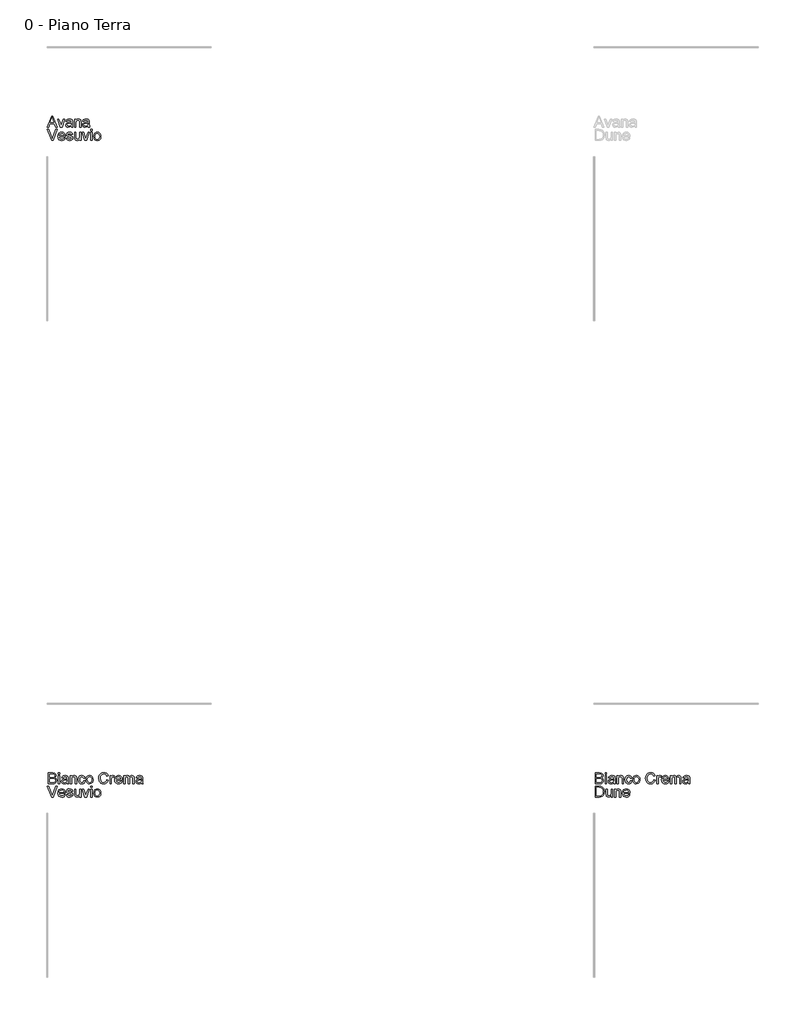
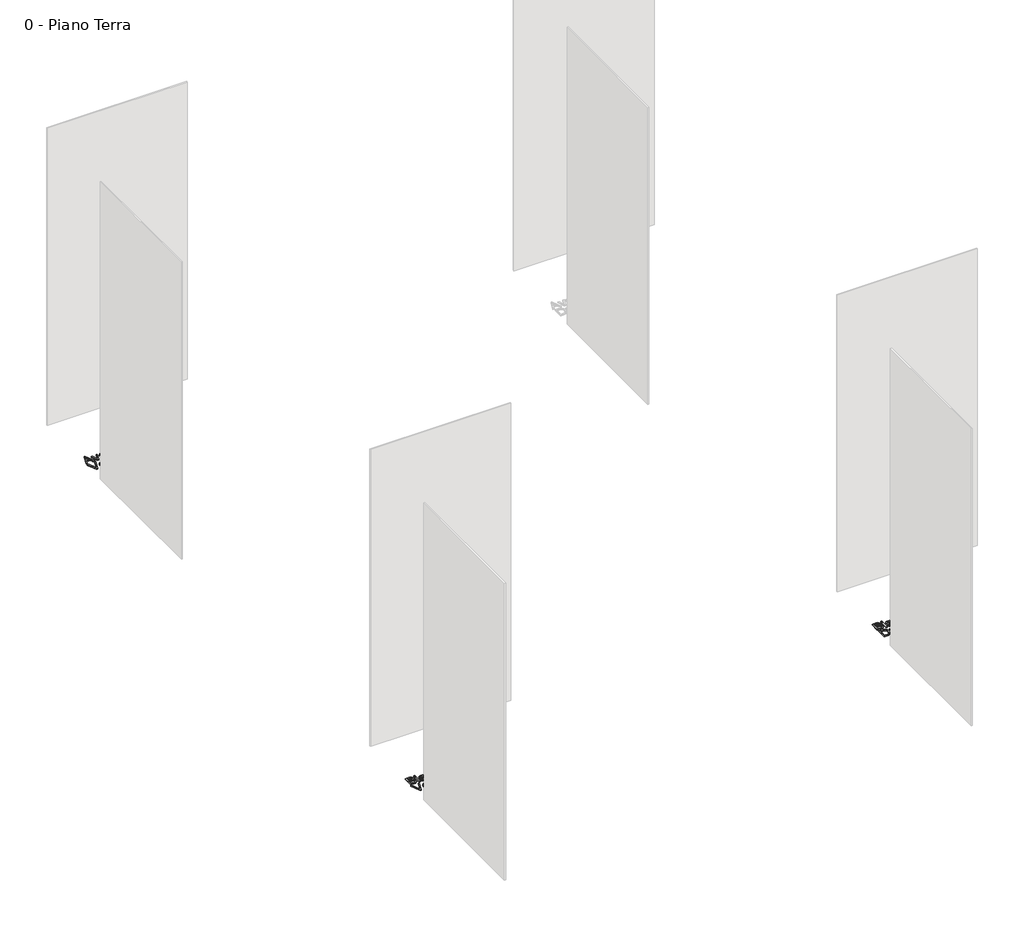
# One storey, part 6 of 35: 3 proxies.
"""IFC4 building model written with IfcOpenShell, lengths in millimetres."""

from ifc_helpers import new_model, si_unit, origin, origin_with_axes, place, context, project, spatial, polyline, outline, extrude, element, save

model = new_model("IFC4")

# Units and contexts
model_context = context("Model", 3, world=origin())
ifc_project = project(units=[si_unit("LENGTHUNIT", "METRE", prefix="MILLI")], contexts=[model_context])

# Site, building, storey
site = spatial("IfcSite", under=ifc_project)
building = spatial("IfcBuilding", under=site)
storey = spatial("IfcBuildingStorey", under=building, Name="0 - Piano Terra", Elevation=0.0)

# Proxies
placement = place(None, origin())
element("IfcBuildingElementProxy", 1, Name="Testo modello 1", ObjectType="Testo modello 1", at=placement, inside=storey, context=model_context, shape_type="SweptSolid", body=[
    extrude(outline(polyline([(-7279.9693984, -48273.7592352), (-7239.8702609, -48173.302925), (-7229.1771576, -48173.302925), (-7189.0780201, -48273.7592352), (-7202.3462974, -48273.7592352), (-7213.8487411, -48242.3666382), (-7255.2232028, -48242.3666382), (-7266.7011211, -48273.7592352), (-7279.9693984, -48273.7592352)]), holes=[polyline([(-7250.6124152, -48229.8095995), (-7218.4350033, -48229.8095995), (-7227.4849004, -48205.1124549), (-7234.5237092, -48185.8599638), (-7240.7777032, -48202.9542138), (-7250.6124152, -48229.8095995)])]), origin_with_axes(), (0.0, 0.0, 1.0), 10.0),
    extrude(outline(polyline([(-7159.1324257, -48273.7592352), (-7185.0803691, -48199.9866324), (-7171.7875663, -48199.9866324), (-7156.0667424, -48244.1815227), (-7151.3333274, -48259.0439553), (-7146.6980143, -48245.0153886), (-7130.8790885, -48199.9866324), (-7117.5862857, -48199.9866324), (-7143.215398, -48273.7592352), (-7159.1324257, -48273.7592352)])), origin_with_axes(), (0.0, 0.0, 1.0), 10.0),
    extrude(outline(polyline([(-7059.5099814, -48264.3414561), (-7071.6868754, -48272.8517929), (-7085.1390937, -48275.328865), (-7095.6329276, -48273.8389429), (-7103.373778, -48269.3691767), (-7108.1470468, -48262.5817539), (-7109.7381365, -48254.1388621), (-7107.3346408, -48244.2060482), (-7101.0193332, -48236.9955611), (-7092.2269535, -48232.8752828), (-7081.3621719, -48230.9868218), (-7059.5835578, -48226.6703398), (-7059.5099814, -48223.8744366), (-7062.9680721, -48214.6038103), (-7076.8494861, -48210.9740413), (-7089.5536777, -48213.3897997), (-7095.6114679, -48221.9614502), (-7108.1685066, -48220.3918204), (-7102.7361158, -48208.1290872), (-7091.7977578, -48200.9431256), (-7075.2308053, -48198.4170025), (-7060.0127535, -48200.64882), (-7051.4165775, -48206.252889), (-7047.5660793, -48214.7754886), (-7046.9529426, -48225.7628975), (-7046.9529426, -48241.3856196), (-7046.3152805, -48263.2010219), (-7043.8136829, -48273.7592352), (-7056.3707217, -48273.7592352), (-7059.5099814, -48264.3414561)]), holes=[polyline([(-7059.5099814, -48239.2273785), (-7079.7680166, -48243.0778768), (-7090.5714845, -48245.1134905), (-7095.4643151, -48248.4244284), (-7097.1810977, -48253.2559453), (-7093.4409641, -48260.0494995), (-7082.4658179, -48262.7718262), (-7069.7616263, -48259.7674566), (-7061.5701206, -48252.4956558), (-7059.5835578, -48242.7835712), (-7059.5099814, -48239.2273785)])]), origin_with_axes(), (0.0, 0.0, 1.0), 10.0),
    extrude(outline(polyline([(-7029.6870143, -48273.7592352), (-7029.6870143, -48199.9866324), (-7017.1299756, -48199.9866324), (-7017.1299756, -48210.2873283), (-7007.5282555, -48201.384584), (-6994.4193937, -48198.4170025), (-6982.5613307, -48200.8082355), (-6974.4679268, -48207.0867549), (-6970.7032678, -48216.320593), (-6970.0410802, -48228.4606988), (-6970.0410802, -48273.7592352), (-6982.5981189, -48273.7592352), (-6982.5981189, -48230.152956), (-6984.0451215, -48219.0429197), (-6989.1586812, -48213.1690705), (-6997.7793826, -48210.9740413), (-7011.4032792, -48215.90366), (-7015.6983015, -48223.0467021), (-7017.1299756, -48234.6165909), (-7017.1299756, -48273.7592352), (-7029.6870143, -48273.7592352)])), origin_with_axes(), (0.0, 0.0, 1.0), 10.0),
    extrude(outline(polyline([(-6905.6862565, -48264.3414561), (-6917.8631505, -48272.8517929), (-6931.3153688, -48275.328865), (-6941.8092027, -48273.8389429), (-6949.550053, -48269.3691767), (-6954.3233219, -48262.5817539), (-6955.9144116, -48254.1388621), (-6953.5109159, -48244.2060482), (-6947.1956083, -48236.9955611), (-6938.4032286, -48232.8752828), (-6927.538447, -48230.9868218), (-6905.7598329, -48226.6703398), (-6905.6862565, -48223.8744366), (-6909.1443472, -48214.6038103), (-6923.0257612, -48210.9740413), (-6935.7299528, -48213.3897997), (-6941.7877429, -48221.9614502), (-6954.3447817, -48220.3918204), (-6948.9123909, -48208.1290872), (-6937.9740329, -48200.9431256), (-6921.4070804, -48198.4170025), (-6906.1890285, -48200.64882), (-6897.5928526, -48206.252889), (-6893.7423544, -48214.7754886), (-6893.1292177, -48225.7628975), (-6893.1292177, -48241.3856196), (-6892.4915556, -48263.2010219), (-6889.989958, -48273.7592352), (-6902.5469968, -48273.7592352), (-6905.6862565, -48264.3414561)]), holes=[polyline([(-6905.6862565, -48239.2273785), (-6925.9442917, -48243.0778768), (-6936.7477596, -48245.1134905), (-6941.6405901, -48248.4244284), (-6943.3573728, -48253.2559453), (-6939.6172392, -48260.0494995), (-6928.642093, -48262.7718262), (-6915.9379014, -48259.7674566), (-6907.7463957, -48252.4956558), (-6905.7598329, -48242.7835712), (-6905.6862565, -48239.2273785)])]), origin_with_axes(), (0.0, 0.0, 1.0), 10.0),
    extrude(outline(polyline([(-7238.5949366, -48395.734053), (-7278.5714468, -48295.2777428), (-7265.1314912, -48295.2777428), (-7238.3742074, -48367.652394), (-7232.9540794, -48383.9618292), (-7227.6075277, -48367.652394), (-7200.7766675, -48295.2777428), (-7187.336712, -48295.2777428), (-7225.620965, -48395.734053), (-7238.5949366, -48395.734053)])), origin_with_axes(), (0.0, 0.0, 1.0), 10.0),
    extrude(outline(polyline([(-7125.5815877, -48373.7592352), (-7113.2698036, -48375.328865), (-7117.7058473, -48384.6056226), (-7124.7845101, -48391.5401983), (-7134.3463763, -48395.8628117), (-7146.2320304, -48397.3036828), (-7160.9657043, -48394.8174137), (-7172.3026011, -48387.3586062), (-7179.5314823, -48375.4116384), (-7181.9411094, -48359.4608883), (-7179.5069569, -48342.9736435), (-7172.2044993, -48330.6434653), (-7161.0208866, -48322.9547316), (-7146.9432689, -48320.3918204), (-7133.3040439, -48322.9486003), (-7122.4055398, -48330.6189399), (-7115.2594321, -48342.9245926), (-7112.8773962, -48359.3873119), (-7112.9509726, -48362.7718262), (-7169.3840706, -48362.7718262), (-7167.2105012, -48372.1712112), (-7162.1613208, -48379.0812613), (-7154.8741916, -48383.3302984), (-7145.9867757, -48384.7466441), (-7133.6749916, -48382.1224192), (-7125.5815877, -48373.7592352)]), holes=[polyline([(-7169.3840706, -48350.2147875), (-7125.4344349, -48350.2147875), (-7130.4621555, -48338.8349711), (-7137.7830072, -48334.4203871), (-7146.9923198, -48332.9488592), (-7162.4556264, -48337.645486), (-7167.3208658, -48343.1361247), (-7169.3840706, -48350.2147875)])]), origin_with_axes(), (0.0, 0.0, 1.0), 10.0),
    extrude(outline(polyline([(-7105.0292469, -48373.7592352), (-7092.4722082, -48372.1896053), (-7086.6596726, -48381.5092825), (-7073.3423444, -48384.7466441), (-7060.540051, -48381.7790626), (-7056.3707217, -48374.8138302), (-7060.5645764, -48369.1729729), (-7073.4894972, -48365.5922549), (-7092.3986318, -48359.4486255), (-7100.6514512, -48352.2749266), (-7103.4596171, -48342.145909), (-7101.2032742, -48332.7894436), (-7095.0473821, -48325.6402702), (-7087.0643428, -48321.924662), (-7076.2608749, -48320.3918204), (-7060.9815094, -48322.8566298), (-7051.2694247, -48329.5275566), (-7046.9529426, -48340.7970084), (-7059.5099814, -48342.3666382), (-7064.2311337, -48335.438194), (-7075.2798563, -48332.9488592), (-7087.2973348, -48335.3278294), (-7090.9025783, -48340.8705848), (-7089.4065249, -48344.5248793), (-7084.7221608, -48347.296257), (-7073.9064301, -48349.9695328), (-7055.4755422, -48355.8801702), (-7046.9161544, -48362.5756225), (-7043.8136829, -48373.489455), (-7047.4557147, -48385.5069335), (-7057.964877, -48394.2257368), (-7073.5140227, -48397.3036828), (-7086.1752947, -48395.8198921), (-7095.4152641, -48391.36852), (-7101.5834189, -48383.9986174), (-7105.0292469, -48373.7592352)])), origin_with_axes(), (0.0, 0.0, 1.0), 10.0),
    extrude(outline(polyline([(-6982.5981189, -48395.734053), (-6982.5981189, -48383.0543869), (-6992.4328309, -48393.7413589), (-7005.2596498, -48397.3036828), (-7017.0686619, -48394.8020853), (-7025.2111167, -48388.5235659), (-7028.9512503, -48379.2774651), (-7029.6870143, -48367.6033431), (-7029.6870143, -48321.9614502), (-7017.1299756, -48321.9614502), (-7017.1299756, -48361.6927057), (-7016.3696861, -48374.4949991), (-7011.4032792, -48382.0120546), (-7002.0468137, -48384.7466441), (-6991.5621769, -48381.9507409), (-6984.6337326, -48374.3355836), (-6982.5981189, -48360.3438051), (-6982.5981189, -48321.9614502), (-6970.0410802, -48321.9614502), (-6970.0410802, -48395.734053), (-6982.5981189, -48395.734053)])), origin_with_axes(), (0.0, 0.0, 1.0), 10.0),
    extrude(outline(polyline([(-6934.6753577, -48395.734053), (-6960.6233011, -48321.9614502), (-6947.3304983, -48321.9614502), (-6931.6096744, -48366.1563406), (-6926.8762594, -48381.0187732), (-6922.2409463, -48366.9902064), (-6906.4220205, -48321.9614502), (-6893.1292177, -48321.9614502), (-6918.75833, -48395.734053), (-6934.6753577, -48395.734053)])), origin_with_axes(), (0.0, 0.0, 1.0), 10.0),
    extrude(outline(polyline([(-6882.1418088, -48307.8347816), (-6882.1418088, -48295.2777428), (-6869.58477, -48295.2777428), (-6869.58477, -48307.8347816), (-6882.1418088, -48307.8347816)])), origin_with_axes(), (0.0, 0.0, 1.0), 10.0),
    extrude(outline(polyline([(-6882.1418088, -48395.734053), (-6882.1418088, -48321.9614502), (-6869.58477, -48321.9614502), (-6869.58477, -48395.734053), (-6882.1418088, -48395.734053)])), origin_with_axes(), (0.0, 0.0, 1.0), 10.0),
    extrude(outline(polyline([(-6853.8884716, -48358.8477516), (-6851.1722762, -48341.0606571), (-6843.02369, -48328.5588007), (-6832.955986, -48322.4335655), (-6820.9017193, -48320.3918204), (-6807.7100841, -48322.8780895), (-6797.1733306, -48330.336897), (-6790.2663462, -48342.1796315), (-6787.964018, -48357.817682), (-6792.0352454, -48380.1603819), (-6803.8933084, -48392.8032598), (-6820.9017193, -48397.3036828), (-6834.2527701, -48394.8266107), (-6844.7772608, -48387.3953944), (-6851.6106689, -48375.3043395), (-6853.8884716, -48358.8477516)]), holes=[polyline([(-6841.3314328, -48358.8232261), (-6839.8782989, -48370.1877141), (-6835.5188973, -48378.2841837), (-6828.958335, -48383.131029), (-6820.9017193, -48384.7466441), (-6812.8818918, -48383.1218319), (-6806.3335923, -48378.2473955), (-6801.9741907, -48370.043627), (-6800.5210568, -48358.4308187), (-6801.9833877, -48347.3974245), (-6806.3703805, -48339.4113195), (-6812.9278771, -48334.5644742), (-6820.9017193, -48332.9488592), (-6828.958335, -48334.5583429), (-6835.5188973, -48339.3867941), (-6839.8782989, -48347.4648695), (-6841.3314328, -48358.8232261)])]), origin_with_axes(), (0.0, 0.0, 1.0), 10.0),
])
element("IfcBuildingElementProxy", 2, Name="Testo modello 1", ObjectType="Testo modello 1", at=placement, inside=storey, context=model_context, shape_type="SweptSolid", body=[
    extrude(outline(polyline([(-2268.2707509, -54273.7592352), (-2268.2707509, -54173.302925), (-2229.937447, -54173.302925), (-2211.1632025, -54176.2582437), (-2200.0776918, -54185.344929), (-2196.067778, -54198.1962733), (-2199.4400296, -54209.931709), (-2209.6303609, -54218.8221905), (-2197.2572631, -54228.1909187), (-2192.9285183, -54243.8136407), (-2195.883837, -54257.31491), (-2203.2046887, -54266.9288928), (-2214.130784, -54272.0301898), (-2230.2317526, -54273.7592352), (-2268.2707509, -54273.7592352)]), holes=[polyline([(-2255.7137122, -54214.113301), (-2232.7824011, -54214.113301), (-2219.3914965, -54213.0341805), (-2211.3348808, -54208.3866046), (-2208.6248168, -54200.2073616), (-2211.1509398, -54192.0158558), (-2218.3859524, -54187.1720762), (-2234.5237092, -54185.8599638), (-2255.7137122, -54185.8599638), (-2255.7137122, -54214.113301)]), polyline([(-2255.7137122, -54261.2021964), (-2229.9619725, -54261.2021964), (-2220.6422953, -54260.7116871), (-2212.7573579, -54257.9770976), (-2207.5334335, -54252.397554), (-2205.4855571, -54243.9362681), (-2207.8890528, -54234.1751325), (-2215.6758883, -54228.3503342), (-2231.1882458, -54226.6703398), (-2255.7137122, -54226.6703398), (-2255.7137122, -54261.2021964)])]), origin_with_axes(), (0.0, 0.0, 1.0), 10.0),
    extrude(outline(polyline([(-2177.2322199, -54185.8599638), (-2177.2322199, -54173.302925), (-2164.6751811, -54173.302925), (-2164.6751811, -54185.8599638), (-2177.2322199, -54185.8599638)])), origin_with_axes(), (0.0, 0.0, 1.0), 10.0),
    extrude(outline(polyline([(-2177.2322199, -54273.7592352), (-2177.2322199, -54199.9866324), (-2164.6751811, -54199.9866324), (-2164.6751811, -54273.7592352), (-2177.2322199, -54273.7592352)])), origin_with_axes(), (0.0, 0.0, 1.0), 10.0),
    extrude(outline(polyline([(-2098.7507275, -54264.3414561), (-2110.9276216, -54272.8517929), (-2124.3798399, -54275.328865), (-2134.8736738, -54273.8389429), (-2142.6145241, -54269.3691767), (-2147.387793, -54262.5817539), (-2148.9788826, -54254.1388621), (-2146.5753869, -54244.2060482), (-2140.2600793, -54236.9955611), (-2131.4676997, -54232.8752828), (-2120.6029181, -54230.9868218), (-2098.8243039, -54226.6703398), (-2098.7507275, -54223.8744366), (-2102.2088183, -54214.6038103), (-2116.0902323, -54210.9740413), (-2128.7944238, -54213.3897997), (-2134.852214, -54221.9614502), (-2147.4092528, -54220.3918204), (-2141.976862, -54208.1290872), (-2131.038504, -54200.9431256), (-2114.4715515, -54198.4170025), (-2099.2534996, -54200.64882), (-2090.6573237, -54206.252889), (-2086.8068254, -54214.7754886), (-2086.1936888, -54225.7628975), (-2086.1936888, -54241.3856196), (-2085.5560267, -54263.2010219), (-2083.0544291, -54273.7592352), (-2095.6114679, -54273.7592352), (-2098.7507275, -54264.3414561)]), holes=[polyline([(-2098.7507275, -54239.2273785), (-2119.0087627, -54243.0778768), (-2129.8122307, -54245.1134905), (-2134.7050612, -54248.4244284), (-2136.4218439, -54253.2559453), (-2132.6817102, -54260.0494995), (-2121.706564, -54262.7718262), (-2109.0023725, -54259.7674566), (-2100.8108667, -54252.4956558), (-2098.8243039, -54242.7835712), (-2098.7507275, -54239.2273785)])]), origin_with_axes(), (0.0, 0.0, 1.0), 10.0),
    extrude(outline(polyline([(-2068.9277605, -54273.7592352), (-2068.9277605, -54199.9866324), (-2056.3707217, -54199.9866324), (-2056.3707217, -54210.2873283), (-2046.7690016, -54201.384584), (-2033.6601399, -54198.4170025), (-2021.8020769, -54200.8082355), (-2013.708673, -54207.0867549), (-2009.9440139, -54216.320593), (-2009.2818263, -54228.4606988), (-2009.2818263, -54273.7592352), (-2021.8388651, -54273.7592352), (-2021.8388651, -54230.152956), (-2023.2858676, -54219.0429197), (-2028.3994273, -54213.1690705), (-2037.0201288, -54210.9740413), (-2050.6440253, -54215.90366), (-2054.9390476, -54223.0467021), (-2056.3707217, -54234.6165909), (-2056.3707217, -54273.7592352), (-2068.9277605, -54273.7592352)])), origin_with_axes(), (0.0, 0.0, 1.0), 10.0),
    extrude(outline(polyline([(-1944.9270026, -54247.0755278), (-1932.3699639, -54248.6451576), (-1935.8709742, -54259.8134419), (-1942.4499305, -54268.253268), (-1951.4875649, -54273.5599657), (-1962.3646092, -54275.328865), (-1975.7217913, -54272.8609899), (-1986.1665743, -54265.4573648), (-1992.9080119, -54253.442952), (-1995.1551577, -54237.1427139), (-1991.3169222, -54216.2838048), (-1979.6182748, -54202.8806374), (-1962.5362875, -54198.4170025), (-1951.9259576, -54199.9498442), (-1943.4432119, -54204.5483691), (-1937.3578306, -54211.9673227), (-1933.9395937, -54221.9614502), (-1946.4966325, -54223.5310801), (-1952.3214307, -54214.1255637), (-1962.4381856, -54210.9740413), (-1970.5530493, -54212.5252771), (-1976.9940499, -54217.1789843), (-1981.1971017, -54225.1865491), (-1982.5981189, -54236.7993574), (-1981.2277585, -54248.5685155), (-1977.1166772, -54256.6036714), (-1970.7921726, -54261.2297875), (-1962.7815421, -54262.7718262), (-1950.9480046, -54258.921328), (-1944.9270026, -54247.0755278)])), origin_with_axes(), (0.0, 0.0, 1.0), 10.0),
    extrude(outline(polyline([(-1924.5218146, -54236.8729338), (-1921.8056192, -54219.0858393), (-1913.657033, -54206.5839828), (-1903.5893291, -54200.4587476), (-1891.5350624, -54198.4170025), (-1878.3434272, -54200.9032717), (-1867.8066737, -54208.3620791), (-1860.8996892, -54220.2048137), (-1858.5973611, -54235.8428642), (-1862.6685885, -54258.185564), (-1874.5266515, -54270.8284419), (-1891.5350624, -54275.328865), (-1904.8861131, -54272.8517929), (-1915.4106039, -54265.4205766), (-1922.2440119, -54253.3295217), (-1924.5218146, -54236.8729338)]), holes=[polyline([(-1911.9647759, -54236.8484083), (-1910.511642, -54248.2128963), (-1906.1522403, -54256.3093658), (-1899.5916781, -54261.1562111), (-1891.5350624, -54262.7718262), (-1883.5152349, -54261.1470141), (-1876.9669354, -54256.2725776), (-1872.6075337, -54248.0688092), (-1871.1543999, -54236.4560008), (-1872.6167308, -54225.4226067), (-1877.0037236, -54217.4365017), (-1883.5612202, -54212.5896564), (-1891.5350624, -54210.9740413), (-1899.5916781, -54212.583525), (-1906.1522403, -54217.4119762), (-1910.511642, -54225.4900517), (-1911.9647759, -54236.8484083)])]), origin_with_axes(), (0.0, 0.0, 1.0), 10.0),
    extrude(outline(polyline([(-1733.0269734, -54238.0501562), (-1720.4699346, -54241.2875177), (-1726.2640761, -54255.9200241), (-1735.3568927, -54266.6100617), (-1747.3007948, -54273.1491642), (-1761.6481926, -54275.328865), (-1776.213254, -54273.6795274), (-1787.780077, -54268.7315146), (-1796.6460331, -54260.6565048), (-1803.1084935, -54249.6261763), (-1808.369206, -54222.7707906), (-1806.8823496, -54208.1229558), (-1802.4217804, -54195.4739466), (-1795.2204904, -54185.2253673), (-1785.5114714, -54177.7788226), (-1773.9967649, -54173.244677), (-1761.3784125, -54171.7332952), (-1747.6104288, -54173.6892011), (-1736.2275468, -54179.5569189), (-1727.5853856, -54188.974698), (-1722.0395645, -54201.5807877), (-1734.5966033, -54204.5728946), (-1744.8972991, -54189.1341135), (-1761.8689218, -54184.2903339), (-1781.5138204, -54189.6614111), (-1792.6115939, -54204.0823853), (-1795.8121673, -54222.7462652), (-1792.0229827, -54244.3777265), (-1780.2262334, -54258.1978268), (-1762.8989914, -54262.7718262), (-1752.4174202, -54261.2144591), (-1743.6832885, -54256.5423578), (-1737.0890038, -54248.8045731), (-1733.0269734, -54238.0501562)])), origin_with_axes(), (0.0, 0.0, 1.0), 10.0),
    extrude(outline(polyline([(-1704.7736362, -54273.7592352), (-1704.7736362, -54199.9866324), (-1693.7862273, -54199.9866324), (-1693.7862273, -54210.9004649), (-1685.987129, -54200.8450237), (-1678.1389797, -54198.4170025), (-1665.53289, -54202.2920262), (-1669.7267448, -54213.5492153), (-1678.5559127, -54210.9740413), (-1685.6560352, -54213.4511134), (-1690.1809837, -54220.318244), (-1692.2165974, -54234.9844729), (-1692.2165974, -54273.7592352), (-1704.7736362, -54273.7592352)])), origin_with_axes(), (0.0, 0.0, 1.0), 10.0),
    extrude(outline(polyline([(-1606.0341087, -54251.7844173), (-1593.7223246, -54253.3540472), (-1598.1583683, -54262.6308048), (-1605.237031, -54269.5653804), (-1614.7988972, -54273.8879938), (-1626.6845513, -54275.328865), (-1641.4182252, -54272.8425958), (-1652.7551221, -54265.3837884), (-1659.9840033, -54253.4368206), (-1662.3936303, -54237.4860704), (-1659.9594778, -54220.9988257), (-1652.6570202, -54208.6686475), (-1641.4734075, -54200.9799138), (-1627.3957899, -54198.4170025), (-1613.7565649, -54200.9737824), (-1602.8580608, -54208.644122), (-1595.711953, -54220.9497747), (-1593.3299171, -54237.412494), (-1593.4034935, -54240.7970084), (-1649.8365916, -54240.7970084), (-1647.6630221, -54250.1963934), (-1642.6138417, -54257.1064435), (-1635.3267125, -54261.3554805), (-1626.4392967, -54262.7718262), (-1614.1275126, -54260.1476013), (-1606.0341087, -54251.7844173)]), holes=[polyline([(-1649.8365916, -54228.2399696), (-1605.8869559, -54228.2399696), (-1610.9146765, -54216.8601532), (-1618.2355282, -54212.4455693), (-1627.4448408, -54210.9740413), (-1642.9081473, -54215.6706681), (-1647.7733867, -54221.1613069), (-1649.8365916, -54228.2399696)])]), origin_with_axes(), (0.0, 0.0, 1.0), 10.0),
    extrude(outline(polyline([(-1580.7728783, -54273.7592352), (-1580.7728783, -54199.9866324), (-1568.2158396, -54199.9866324), (-1568.2158396, -54212.1267382), (-1559.5828754, -54202.1816616), (-1547.2956168, -54198.4170025), (-1534.7140525, -54202.255238), (-1527.797871, -54213.009655), (-1517.9999472, -54202.0651657), (-1505.6268495, -54198.4170025), (-1496.1876106, -54199.9345158), (-1489.2070497, -54204.4870555), (-1484.8936333, -54212.1972489), (-1483.4558279, -54223.1877235), (-1483.4558279, -54273.7592352), (-1496.0128666, -54273.7592352), (-1496.0128666, -54228.5833261), (-1497.1778263, -54218.0986893), (-1501.3962065, -54212.9360786), (-1508.5699054, -54210.9740413), (-1520.9184777, -54216.0017619), (-1524.6064947, -54222.5439301), (-1525.8358337, -54232.1149933), (-1525.8358337, -54273.7592352), (-1538.3928725, -54273.7592352), (-1538.3928725, -54227.1853746), (-1541.2991403, -54215.0207433), (-1550.8272839, -54210.9740413), (-1560.1224357, -54213.6718426), (-1566.3028532, -54221.5690428), (-1568.2158396, -54236.5541027), (-1568.2158396, -54273.7592352), (-1580.7728783, -54273.7592352)])), origin_with_axes(), (0.0, 0.0, 1.0), 10.0),
    extrude(outline(polyline([(-1417.5313743, -54264.3414561), (-1429.7082684, -54272.8517929), (-1443.1604867, -54275.328865), (-1453.6543206, -54273.8389429), (-1461.3951709, -54269.3691767), (-1466.1684398, -54262.5817539), (-1467.7595294, -54254.1388621), (-1465.3560337, -54244.2060482), (-1459.0407261, -54236.9955611), (-1450.2483464, -54232.8752828), (-1439.3835649, -54230.9868218), (-1417.6049507, -54226.6703398), (-1417.5313743, -54223.8744366), (-1420.9894651, -54214.6038103), (-1434.8708791, -54210.9740413), (-1447.5750706, -54213.3897997), (-1453.6328608, -54221.9614502), (-1466.1898996, -54220.3918204), (-1460.7575088, -54208.1290872), (-1449.8191508, -54200.9431256), (-1433.2521983, -54198.4170025), (-1418.0341464, -54200.64882), (-1409.4379705, -54206.252889), (-1405.5874722, -54214.7754886), (-1404.9743356, -54225.7628975), (-1404.9743356, -54241.3856196), (-1404.3366735, -54263.2010219), (-1401.8350759, -54273.7592352), (-1414.3921147, -54273.7592352), (-1417.5313743, -54264.3414561)]), holes=[polyline([(-1417.5313743, -54239.2273785), (-1437.7894095, -54243.0778768), (-1448.5928775, -54245.1134905), (-1453.485708, -54248.4244284), (-1455.2024907, -54253.2559453), (-1451.462357, -54260.0494995), (-1440.4872108, -54262.7718262), (-1427.7830193, -54259.7674566), (-1419.5915135, -54252.4956558), (-1417.6049507, -54242.7835712), (-1417.5313743, -54239.2273785)])]), origin_with_axes(), (0.0, 0.0, 1.0), 10.0),
    extrude(outline(polyline([(-2268.2707509, -54395.734053), (-2268.2707509, -54295.2777428), (-2233.616267, -54295.2777428), (-2215.6881511, -54296.7247454), (-2200.9238203, -54303.910707), (-2189.0289692, -54321.0785334), (-2185.0803691, -54344.9663377), (-2187.7536449, -54365.2366356), (-2194.6207755, -54379.8660763), (-2203.7932999, -54388.977287), (-2215.7985157, -54394.0172704), (-2231.9485353, -54395.734053), (-2268.2707509, -54395.734053)]), holes=[polyline([(-2255.7137122, -54383.1770142), (-2233.4936396, -54383.1770142), (-2217.3313573, -54381.3621297), (-2208.0116801, -54376.2363073), (-2200.3719973, -54363.7651076), (-2197.6374079, -54344.7701339), (-2198.9771114, -54331.0849237), (-2202.9962222, -54320.9804316), (-2216.0315076, -54309.8458699), (-2233.8369962, -54307.8347816), (-2255.7137122, -54307.8347816), (-2255.7137122, -54383.1770142)])]), origin_with_axes(), (0.0, 0.0, 1.0), 10.0),
    extrude(outline(polyline([(-2122.2951752, -54395.734053), (-2122.2951752, -54383.0543869), (-2132.1298872, -54393.7413589), (-2144.9567061, -54397.3036828), (-2156.7657182, -54394.8020853), (-2164.908173, -54388.5235659), (-2168.6483066, -54379.2774651), (-2169.3840706, -54367.6033431), (-2169.3840706, -54321.9614502), (-2156.8270319, -54321.9614502), (-2156.8270319, -54361.6927057), (-2156.0667424, -54374.4949991), (-2151.1003355, -54382.0120546), (-2141.74387, -54384.7466441), (-2131.2592332, -54381.9507409), (-2124.3307889, -54374.3355836), (-2122.2951752, -54360.3438051), (-2122.2951752, -54321.9614502), (-2109.7381365, -54321.9614502), (-2109.7381365, -54395.734053), (-2122.2951752, -54395.734053)])), origin_with_axes(), (0.0, 0.0, 1.0), 10.0),
    extrude(outline(polyline([(-2092.4722082, -54395.734053), (-2092.4722082, -54321.9614502), (-2079.9151694, -54321.9614502), (-2079.9151694, -54332.2621461), (-2070.3134493, -54323.3594018), (-2057.2045876, -54320.3918204), (-2045.3465246, -54322.7830534), (-2037.2531207, -54329.0615727), (-2033.4884616, -54338.2954108), (-2032.826274, -54350.4355167), (-2032.826274, -54395.734053), (-2045.3833128, -54395.734053), (-2045.3833128, -54352.1277738), (-2046.8303153, -54341.0177376), (-2051.943875, -54335.1438884), (-2060.5645764, -54332.9488592), (-2074.188473, -54337.8784779), (-2078.4834953, -54345.02152), (-2079.9151694, -54356.5914087), (-2079.9151694, -54395.734053), (-2092.4722082, -54395.734053)])), origin_with_axes(), (0.0, 0.0, 1.0), 10.0),
    extrude(outline(polyline([(-1963.9097136, -54373.7592352), (-1951.5979295, -54375.328865), (-1956.0339732, -54384.6056226), (-1963.1126359, -54391.5401983), (-1972.6745021, -54395.8628117), (-1984.5601562, -54397.3036828), (-1999.2938302, -54394.8174137), (-2010.630727, -54387.3586062), (-2017.8596082, -54375.4116384), (-2020.2692352, -54359.4608883), (-2017.8350827, -54342.9736435), (-2010.5326251, -54330.6434653), (-1999.3490125, -54322.9547316), (-1985.2713948, -54320.3918204), (-1971.6321698, -54322.9486003), (-1960.7336657, -54330.6189399), (-1953.5875579, -54342.9245926), (-1951.205522, -54359.3873119), (-1951.2790984, -54362.7718262), (-2007.7121965, -54362.7718262), (-2005.538627, -54372.1712112), (-2000.4894466, -54379.0812613), (-1993.2023174, -54383.3302984), (-1984.3149016, -54384.7466441), (-1972.0031175, -54382.1224192), (-1963.9097136, -54373.7592352)]), holes=[polyline([(-2007.7121965, -54350.2147875), (-1963.7625608, -54350.2147875), (-1968.7902814, -54338.8349711), (-1976.1111331, -54334.4203871), (-1985.3204457, -54332.9488592), (-2000.7837522, -54337.645486), (-2005.6489916, -54343.1361247), (-2007.7121965, -54350.2147875)])]), origin_with_axes(), (0.0, 0.0, 1.0), 10.0),
])
element("IfcBuildingElementProxy", 3, Name="Testo modello 1", ObjectType="Testo modello 1", at=placement, inside=storey, context=model_context, shape_type="SweptSolid", body=[
    extrude(outline(polyline([(-7268.2707509, -54273.7592352), (-7268.2707509, -54173.302925), (-7229.937447, -54173.302925), (-7211.1632025, -54176.2582437), (-7200.0776918, -54185.344929), (-7196.067778, -54198.1962733), (-7199.4400296, -54209.931709), (-7209.6303609, -54218.8221905), (-7197.2572631, -54228.1909187), (-7192.9285183, -54243.8136407), (-7195.883837, -54257.31491), (-7203.2046887, -54266.9288928), (-7214.130784, -54272.0301898), (-7230.2317526, -54273.7592352), (-7268.2707509, -54273.7592352)]), holes=[polyline([(-7255.7137122, -54214.113301), (-7232.7824011, -54214.113301), (-7219.3914965, -54213.0341805), (-7211.3348808, -54208.3866046), (-7208.6248168, -54200.2073616), (-7211.1509398, -54192.0158558), (-7218.3859524, -54187.1720762), (-7234.5237092, -54185.8599638), (-7255.7137122, -54185.8599638), (-7255.7137122, -54214.113301)]), polyline([(-7255.7137122, -54261.2021964), (-7229.9619725, -54261.2021964), (-7220.6422953, -54260.7116871), (-7212.7573579, -54257.9770976), (-7207.5334335, -54252.397554), (-7205.4855571, -54243.9362681), (-7207.8890528, -54234.1751325), (-7215.6758883, -54228.3503342), (-7231.1882458, -54226.6703398), (-7255.7137122, -54226.6703398), (-7255.7137122, -54261.2021964)])]), origin_with_axes(), (0.0, 0.0, 1.0), 10.0),
    extrude(outline(polyline([(-7177.2322199, -54185.8599638), (-7177.2322199, -54173.302925), (-7164.6751811, -54173.302925), (-7164.6751811, -54185.8599638), (-7177.2322199, -54185.8599638)])), origin_with_axes(), (0.0, 0.0, 1.0), 10.0),
    extrude(outline(polyline([(-7177.2322199, -54273.7592352), (-7177.2322199, -54199.9866324), (-7164.6751811, -54199.9866324), (-7164.6751811, -54273.7592352), (-7177.2322199, -54273.7592352)])), origin_with_axes(), (0.0, 0.0, 1.0), 10.0),
    extrude(outline(polyline([(-7098.7507275, -54264.3414561), (-7110.9276216, -54272.8517929), (-7124.3798399, -54275.328865), (-7134.8736738, -54273.8389429), (-7142.6145241, -54269.3691767), (-7147.387793, -54262.5817539), (-7148.9788826, -54254.1388621), (-7146.5753869, -54244.2060482), (-7140.2600793, -54236.9955611), (-7131.4676997, -54232.8752828), (-7120.6029181, -54230.9868218), (-7098.8243039, -54226.6703398), (-7098.7507275, -54223.8744366), (-7102.2088183, -54214.6038103), (-7116.0902323, -54210.9740413), (-7128.7944238, -54213.3897997), (-7134.852214, -54221.9614502), (-7147.4092528, -54220.3918204), (-7141.976862, -54208.1290872), (-7131.038504, -54200.9431256), (-7114.4715515, -54198.4170025), (-7099.2534996, -54200.64882), (-7090.6573237, -54206.252889), (-7086.8068254, -54214.7754886), (-7086.1936888, -54225.7628975), (-7086.1936888, -54241.3856196), (-7085.5560267, -54263.2010219), (-7083.0544291, -54273.7592352), (-7095.6114679, -54273.7592352), (-7098.7507275, -54264.3414561)]), holes=[polyline([(-7098.7507275, -54239.2273785), (-7119.0087627, -54243.0778768), (-7129.8122307, -54245.1134905), (-7134.7050612, -54248.4244284), (-7136.4218439, -54253.2559453), (-7132.6817102, -54260.0494995), (-7121.706564, -54262.7718262), (-7109.0023725, -54259.7674566), (-7100.8108667, -54252.4956558), (-7098.8243039, -54242.7835712), (-7098.7507275, -54239.2273785)])]), origin_with_axes(), (0.0, 0.0, 1.0), 10.0),
    extrude(outline(polyline([(-7068.9277605, -54273.7592352), (-7068.9277605, -54199.9866324), (-7056.3707217, -54199.9866324), (-7056.3707217, -54210.2873283), (-7046.7690016, -54201.384584), (-7033.6601399, -54198.4170025), (-7021.8020769, -54200.8082355), (-7013.708673, -54207.0867549), (-7009.9440139, -54216.320593), (-7009.2818263, -54228.4606988), (-7009.2818263, -54273.7592352), (-7021.8388651, -54273.7592352), (-7021.8388651, -54230.152956), (-7023.2858676, -54219.0429197), (-7028.3994273, -54213.1690705), (-7037.0201288, -54210.9740413), (-7050.6440253, -54215.90366), (-7054.9390476, -54223.0467021), (-7056.3707217, -54234.6165909), (-7056.3707217, -54273.7592352), (-7068.9277605, -54273.7592352)])), origin_with_axes(), (0.0, 0.0, 1.0), 10.0),
    extrude(outline(polyline([(-6944.9270026, -54247.0755278), (-6932.3699639, -54248.6451576), (-6935.8709742, -54259.8134419), (-6942.4499305, -54268.253268), (-6951.4875649, -54273.5599657), (-6962.3646092, -54275.328865), (-6975.7217913, -54272.8609899), (-6986.1665743, -54265.4573648), (-6992.9080119, -54253.442952), (-6995.1551577, -54237.1427139), (-6991.3169222, -54216.2838048), (-6979.6182748, -54202.8806374), (-6962.5362875, -54198.4170025), (-6951.9259576, -54199.9498442), (-6943.4432119, -54204.5483691), (-6937.3578306, -54211.9673227), (-6933.9395937, -54221.9614502), (-6946.4966325, -54223.5310801), (-6952.3214307, -54214.1255637), (-6962.4381856, -54210.9740413), (-6970.5530493, -54212.5252771), (-6976.9940499, -54217.1789843), (-6981.1971017, -54225.1865491), (-6982.5981189, -54236.7993574), (-6981.2277585, -54248.5685155), (-6977.1166772, -54256.6036714), (-6970.7921726, -54261.2297875), (-6962.7815421, -54262.7718262), (-6950.9480046, -54258.921328), (-6944.9270026, -54247.0755278)])), origin_with_axes(), (0.0, 0.0, 1.0), 10.0),
    extrude(outline(polyline([(-6924.5218146, -54236.8729338), (-6921.8056192, -54219.0858393), (-6913.657033, -54206.5839828), (-6903.5893291, -54200.4587476), (-6891.5350624, -54198.4170025), (-6878.3434272, -54200.9032717), (-6867.8066737, -54208.3620791), (-6860.8996892, -54220.2048137), (-6858.5973611, -54235.8428642), (-6862.6685885, -54258.185564), (-6874.5266515, -54270.8284419), (-6891.5350624, -54275.328865), (-6904.8861131, -54272.8517929), (-6915.4106039, -54265.4205766), (-6922.2440119, -54253.3295217), (-6924.5218146, -54236.8729338)]), holes=[polyline([(-6911.9647759, -54236.8484083), (-6910.511642, -54248.2128963), (-6906.1522403, -54256.3093658), (-6899.5916781, -54261.1562111), (-6891.5350624, -54262.7718262), (-6883.5152349, -54261.1470141), (-6876.9669354, -54256.2725776), (-6872.6075337, -54248.0688092), (-6871.1543999, -54236.4560008), (-6872.6167308, -54225.4226067), (-6877.0037236, -54217.4365017), (-6883.5612202, -54212.5896564), (-6891.5350624, -54210.9740413), (-6899.5916781, -54212.583525), (-6906.1522403, -54217.4119762), (-6910.511642, -54225.4900517), (-6911.9647759, -54236.8484083)])]), origin_with_axes(), (0.0, 0.0, 1.0), 10.0),
    extrude(outline(polyline([(-6733.0269734, -54238.0501562), (-6720.4699346, -54241.2875177), (-6726.2640761, -54255.9200241), (-6735.3568927, -54266.6100617), (-6747.3007948, -54273.1491642), (-6761.6481926, -54275.328865), (-6776.213254, -54273.6795274), (-6787.780077, -54268.7315146), (-6796.6460331, -54260.6565048), (-6803.1084935, -54249.6261763), (-6808.369206, -54222.7707906), (-6806.8823496, -54208.1229558), (-6802.4217804, -54195.4739466), (-6795.2204904, -54185.2253673), (-6785.5114714, -54177.7788226), (-6773.9967649, -54173.244677), (-6761.3784125, -54171.7332952), (-6747.6104288, -54173.6892011), (-6736.2275468, -54179.5569189), (-6727.5853856, -54188.974698), (-6722.0395645, -54201.5807877), (-6734.5966033, -54204.5728946), (-6744.8972991, -54189.1341135), (-6761.8689218, -54184.2903339), (-6781.5138204, -54189.6614111), (-6792.6115939, -54204.0823853), (-6795.8121673, -54222.7462652), (-6792.0229827, -54244.3777265), (-6780.2262334, -54258.1978268), (-6762.8989914, -54262.7718262), (-6752.4174202, -54261.2144591), (-6743.6832885, -54256.5423578), (-6737.0890038, -54248.8045731), (-6733.0269734, -54238.0501562)])), origin_with_axes(), (0.0, 0.0, 1.0), 10.0),
    extrude(outline(polyline([(-6704.7736362, -54273.7592352), (-6704.7736362, -54199.9866324), (-6693.7862273, -54199.9866324), (-6693.7862273, -54210.9004649), (-6685.987129, -54200.8450237), (-6678.1389797, -54198.4170025), (-6665.53289, -54202.2920262), (-6669.7267448, -54213.5492153), (-6678.5559127, -54210.9740413), (-6685.6560352, -54213.4511134), (-6690.1809837, -54220.318244), (-6692.2165974, -54234.9844729), (-6692.2165974, -54273.7592352), (-6704.7736362, -54273.7592352)])), origin_with_axes(), (0.0, 0.0, 1.0), 10.0),
    extrude(outline(polyline([(-6606.0341087, -54251.7844173), (-6593.7223246, -54253.3540472), (-6598.1583683, -54262.6308048), (-6605.237031, -54269.5653804), (-6614.7988972, -54273.8879938), (-6626.6845513, -54275.328865), (-6641.4182252, -54272.8425958), (-6652.7551221, -54265.3837884), (-6659.9840033, -54253.4368206), (-6662.3936303, -54237.4860704), (-6659.9594778, -54220.9988257), (-6652.6570202, -54208.6686475), (-6641.4734075, -54200.9799138), (-6627.3957899, -54198.4170025), (-6613.7565649, -54200.9737824), (-6602.8580608, -54208.644122), (-6595.711953, -54220.9497747), (-6593.3299171, -54237.412494), (-6593.4034935, -54240.7970084), (-6649.8365916, -54240.7970084), (-6647.6630221, -54250.1963934), (-6642.6138417, -54257.1064435), (-6635.3267125, -54261.3554805), (-6626.4392967, -54262.7718262), (-6614.1275126, -54260.1476013), (-6606.0341087, -54251.7844173)]), holes=[polyline([(-6649.8365916, -54228.2399696), (-6605.8869559, -54228.2399696), (-6610.9146765, -54216.8601532), (-6618.2355282, -54212.4455693), (-6627.4448408, -54210.9740413), (-6642.9081473, -54215.6706681), (-6647.7733867, -54221.1613069), (-6649.8365916, -54228.2399696)])]), origin_with_axes(), (0.0, 0.0, 1.0), 10.0),
    extrude(outline(polyline([(-6580.7728783, -54273.7592352), (-6580.7728783, -54199.9866324), (-6568.2158396, -54199.9866324), (-6568.2158396, -54212.1267382), (-6559.5828754, -54202.1816616), (-6547.2956168, -54198.4170025), (-6534.7140525, -54202.255238), (-6527.797871, -54213.009655), (-6517.9999472, -54202.0651657), (-6505.6268495, -54198.4170025), (-6496.1876106, -54199.9345158), (-6489.2070497, -54204.4870555), (-6484.8936333, -54212.1972489), (-6483.4558279, -54223.1877235), (-6483.4558279, -54273.7592352), (-6496.0128666, -54273.7592352), (-6496.0128666, -54228.5833261), (-6497.1778263, -54218.0986893), (-6501.3962065, -54212.9360786), (-6508.5699054, -54210.9740413), (-6520.9184777, -54216.0017619), (-6524.6064947, -54222.5439301), (-6525.8358337, -54232.1149933), (-6525.8358337, -54273.7592352), (-6538.3928725, -54273.7592352), (-6538.3928725, -54227.1853746), (-6541.2991403, -54215.0207433), (-6550.8272839, -54210.9740413), (-6560.1224357, -54213.6718426), (-6566.3028532, -54221.5690428), (-6568.2158396, -54236.5541027), (-6568.2158396, -54273.7592352), (-6580.7728783, -54273.7592352)])), origin_with_axes(), (0.0, 0.0, 1.0), 10.0),
    extrude(outline(polyline([(-6417.5313743, -54264.3414561), (-6429.7082684, -54272.8517929), (-6443.1604867, -54275.328865), (-6453.6543206, -54273.8389429), (-6461.3951709, -54269.3691767), (-6466.1684398, -54262.5817539), (-6467.7595294, -54254.1388621), (-6465.3560337, -54244.2060482), (-6459.0407261, -54236.9955611), (-6450.2483464, -54232.8752828), (-6439.3835649, -54230.9868218), (-6417.6049507, -54226.6703398), (-6417.5313743, -54223.8744366), (-6420.9894651, -54214.6038103), (-6434.8708791, -54210.9740413), (-6447.5750706, -54213.3897997), (-6453.6328608, -54221.9614502), (-6466.1898996, -54220.3918204), (-6460.7575088, -54208.1290872), (-6449.8191508, -54200.9431256), (-6433.2521983, -54198.4170025), (-6418.0341464, -54200.64882), (-6409.4379705, -54206.252889), (-6405.5874722, -54214.7754886), (-6404.9743356, -54225.7628975), (-6404.9743356, -54241.3856196), (-6404.3366735, -54263.2010219), (-6401.8350759, -54273.7592352), (-6414.3921147, -54273.7592352), (-6417.5313743, -54264.3414561)]), holes=[polyline([(-6417.5313743, -54239.2273785), (-6437.7894095, -54243.0778768), (-6448.5928775, -54245.1134905), (-6453.485708, -54248.4244284), (-6455.2024907, -54253.2559453), (-6451.462357, -54260.0494995), (-6440.4872108, -54262.7718262), (-6427.7830193, -54259.7674566), (-6419.5915135, -54252.4956558), (-6417.6049507, -54242.7835712), (-6417.5313743, -54239.2273785)])]), origin_with_axes(), (0.0, 0.0, 1.0), 10.0),
    extrude(outline(polyline([(-7238.5949366, -54395.734053), (-7278.5714468, -54295.2777428), (-7265.1314912, -54295.2777428), (-7238.3742074, -54367.652394), (-7232.9540794, -54383.9618292), (-7227.6075277, -54367.652394), (-7200.7766675, -54295.2777428), (-7187.336712, -54295.2777428), (-7225.620965, -54395.734053), (-7238.5949366, -54395.734053)])), origin_with_axes(), (0.0, 0.0, 1.0), 10.0),
    extrude(outline(polyline([(-7125.5815877, -54373.7592352), (-7113.2698036, -54375.328865), (-7117.7058473, -54384.6056226), (-7124.7845101, -54391.5401983), (-7134.3463763, -54395.8628117), (-7146.2320304, -54397.3036828), (-7160.9657043, -54394.8174137), (-7172.3026011, -54387.3586062), (-7179.5314823, -54375.4116384), (-7181.9411094, -54359.4608883), (-7179.5069569, -54342.9736435), (-7172.2044993, -54330.6434653), (-7161.0208866, -54322.9547316), (-7146.9432689, -54320.3918204), (-7133.3040439, -54322.9486003), (-7122.4055398, -54330.6189399), (-7115.2594321, -54342.9245926), (-7112.8773962, -54359.3873119), (-7112.9509726, -54362.7718262), (-7169.3840706, -54362.7718262), (-7167.2105012, -54372.1712112), (-7162.1613208, -54379.0812613), (-7154.8741916, -54383.3302984), (-7145.9867757, -54384.7466441), (-7133.6749916, -54382.1224192), (-7125.5815877, -54373.7592352)]), holes=[polyline([(-7169.3840706, -54350.2147875), (-7125.4344349, -54350.2147875), (-7130.4621555, -54338.8349711), (-7137.7830072, -54334.4203871), (-7146.9923198, -54332.9488592), (-7162.4556264, -54337.645486), (-7167.3208658, -54343.1361247), (-7169.3840706, -54350.2147875)])]), origin_with_axes(), (0.0, 0.0, 1.0), 10.0),
    extrude(outline(polyline([(-7105.0292469, -54373.7592352), (-7092.4722082, -54372.1896053), (-7086.6596726, -54381.5092825), (-7073.3423444, -54384.7466441), (-7060.540051, -54381.7790626), (-7056.3707217, -54374.8138302), (-7060.5645764, -54369.1729729), (-7073.4894972, -54365.5922549), (-7092.3986318, -54359.4486255), (-7100.6514512, -54352.2749266), (-7103.4596171, -54342.145909), (-7101.2032742, -54332.7894436), (-7095.0473821, -54325.6402702), (-7087.0643428, -54321.924662), (-7076.2608749, -54320.3918204), (-7060.9815094, -54322.8566298), (-7051.2694247, -54329.5275566), (-7046.9529426, -54340.7970084), (-7059.5099814, -54342.3666382), (-7064.2311337, -54335.438194), (-7075.2798563, -54332.9488592), (-7087.2973348, -54335.3278294), (-7090.9025783, -54340.8705848), (-7089.4065249, -54344.5248793), (-7084.7221608, -54347.296257), (-7073.9064301, -54349.9695328), (-7055.4755422, -54355.8801702), (-7046.9161544, -54362.5756225), (-7043.8136829, -54373.489455), (-7047.4557147, -54385.5069335), (-7057.964877, -54394.2257368), (-7073.5140227, -54397.3036828), (-7086.1752947, -54395.8198921), (-7095.4152641, -54391.36852), (-7101.5834189, -54383.9986174), (-7105.0292469, -54373.7592352)])), origin_with_axes(), (0.0, 0.0, 1.0), 10.0),
    extrude(outline(polyline([(-6982.5981189, -54395.734053), (-6982.5981189, -54383.0543869), (-6992.4328309, -54393.7413589), (-7005.2596498, -54397.3036828), (-7017.0686619, -54394.8020853), (-7025.2111167, -54388.5235659), (-7028.9512503, -54379.2774651), (-7029.6870143, -54367.6033431), (-7029.6870143, -54321.9614502), (-7017.1299756, -54321.9614502), (-7017.1299756, -54361.6927057), (-7016.3696861, -54374.4949991), (-7011.4032792, -54382.0120546), (-7002.0468137, -54384.7466441), (-6991.5621769, -54381.9507409), (-6984.6337326, -54374.3355836), (-6982.5981189, -54360.3438051), (-6982.5981189, -54321.9614502), (-6970.0410802, -54321.9614502), (-6970.0410802, -54395.734053), (-6982.5981189, -54395.734053)])), origin_with_axes(), (0.0, 0.0, 1.0), 10.0),
    extrude(outline(polyline([(-6934.6753577, -54395.734053), (-6960.6233011, -54321.9614502), (-6947.3304983, -54321.9614502), (-6931.6096744, -54366.1563406), (-6926.8762594, -54381.0187732), (-6922.2409463, -54366.9902064), (-6906.4220205, -54321.9614502), (-6893.1292177, -54321.9614502), (-6918.75833, -54395.734053), (-6934.6753577, -54395.734053)])), origin_with_axes(), (0.0, 0.0, 1.0), 10.0),
    extrude(outline(polyline([(-6882.1418088, -54307.8347816), (-6882.1418088, -54295.2777428), (-6869.58477, -54295.2777428), (-6869.58477, -54307.8347816), (-6882.1418088, -54307.8347816)])), origin_with_axes(), (0.0, 0.0, 1.0), 10.0),
    extrude(outline(polyline([(-6882.1418088, -54395.734053), (-6882.1418088, -54321.9614502), (-6869.58477, -54321.9614502), (-6869.58477, -54395.734053), (-6882.1418088, -54395.734053)])), origin_with_axes(), (0.0, 0.0, 1.0), 10.0),
    extrude(outline(polyline([(-6853.8884716, -54358.8477516), (-6851.1722762, -54341.0606571), (-6843.02369, -54328.5588007), (-6832.955986, -54322.4335655), (-6820.9017193, -54320.3918204), (-6807.7100841, -54322.8780895), (-6797.1733306, -54330.336897), (-6790.2663462, -54342.1796315), (-6787.964018, -54357.817682), (-6792.0352454, -54380.1603819), (-6803.8933084, -54392.8032598), (-6820.9017193, -54397.3036828), (-6834.2527701, -54394.8266107), (-6844.7772608, -54387.3953944), (-6851.6106689, -54375.3043395), (-6853.8884716, -54358.8477516)]), holes=[polyline([(-6841.3314328, -54358.8232261), (-6839.8782989, -54370.1877141), (-6835.5188973, -54378.2841837), (-6828.958335, -54383.131029), (-6820.9017193, -54384.7466441), (-6812.8818918, -54383.1218319), (-6806.3335923, -54378.2473955), (-6801.9741907, -54370.043627), (-6800.5210568, -54358.4308187), (-6801.9833877, -54347.3974245), (-6806.3703805, -54339.4113195), (-6812.9278771, -54334.5644742), (-6820.9017193, -54332.9488592), (-6828.958335, -54334.5583429), (-6835.5188973, -54339.3867941), (-6839.8782989, -54347.4648695), (-6841.3314328, -54358.8232261)])]), origin_with_axes(), (0.0, 0.0, 1.0), 10.0),
])

save(model, "model.ifc")
